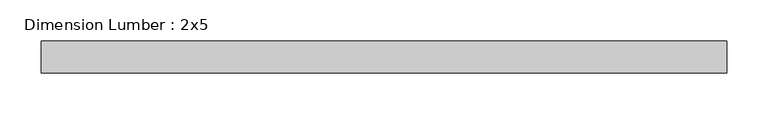
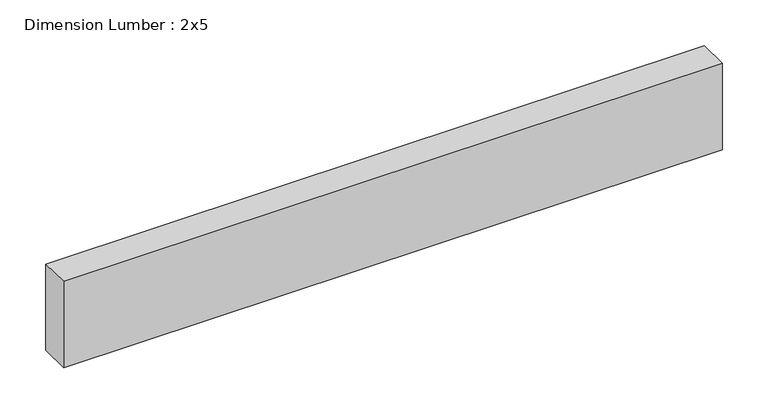
"""IFC4 building model written with IfcOpenShell, lengths in millimetres: beam geometry, Dimension Lumber : 2x5."""

from ifc_helpers import new_model, si_unit, frame, origin, place, context, project, spatial, polyline, outline, extrude, source, transform, mapped, element, save


def dimension_lumber_2x5_fe00ca9b(model_context):
    return source(origin(), model_context, "Body", "SweptSolid", [
        extrude(outline(polyline([(413.2912704, 19.05), (413.2912704, -19.05), (-413.2912704, -19.05), (-413.2912704, 19.05), (413.2912704, 19.05)])), frame((0.0, 0.0, -57.15), z_axis=(0.0, 0.0, 1.0), x_axis=(1.0, 0.0, 0.0)), (0.0, 0.0, 1.0), 114.3),
    ])


if __name__ == "__main__":
    model = new_model("IFC4")
    model_context = context("Model", 3, world=origin())
    ifc_project = project(units=[si_unit("LENGTHUNIT", "METRE", prefix="MILLI")], contexts=[model_context])
    site = spatial("IfcSite", under=ifc_project)
    building = spatial("IfcBuilding", under=site)
    placement = place(None, origin())
    dimension_lumber_2x5_shape = dimension_lumber_2x5_fe00ca9b(model_context)
    element("IfcBeam", 1, ObjectType="Dimension Lumber : 2x5", at=placement, inside=building, context=model_context, shape_type="MappedRepresentation", body=[
        mapped(dimension_lumber_2x5_shape, transform((0.0, 0.0, 0.0), x_axis=(1.0, 0.0, 0.0), y_axis=(0.0, 1.0, 0.0), z_axis=(0.0, 0.0, 1.0))),
    ])
    save(model, "model.ifc")
